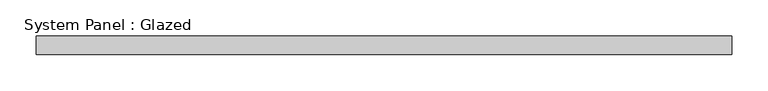
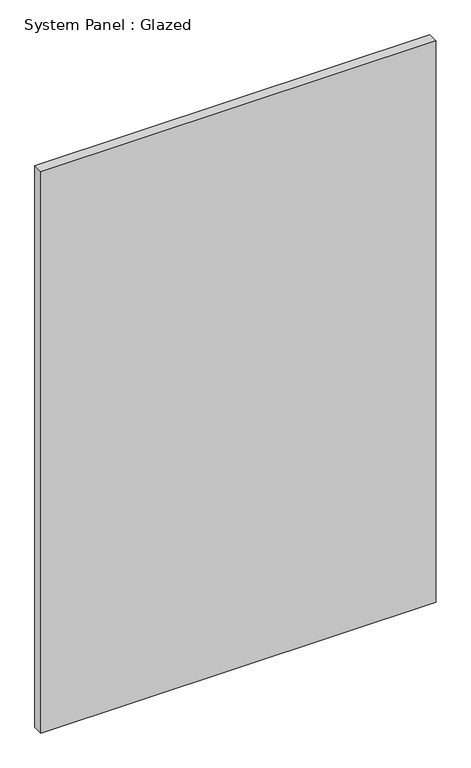
"""IFC4 building model written with IfcOpenShell, lengths in millimetres: plate geometry, System Panel : Glazed."""

from ifc_helpers import new_model, si_unit, origin, origin_with_axes, place, context, project, spatial, polyline, outline, extrude, source, transform, mapped, element, save


def system_panel_glazed_5431503b(model_context):
    return source(origin(), model_context, "Body", "SweptSolid", [
        extrude(outline(polyline([(479.425, -12.7), (-479.425, -12.7), (-479.425, 12.7), (479.425, 12.7), (479.425, -12.7)])), origin_with_axes(), (0.0, 0.0, 1.0), 1441.45),
    ])


if __name__ == "__main__":
    model = new_model("IFC4")
    model_context = context("Model", 3, world=origin())
    ifc_project = project(units=[si_unit("LENGTHUNIT", "METRE", prefix="MILLI")], contexts=[model_context])
    site = spatial("IfcSite", under=ifc_project)
    building = spatial("IfcBuilding", under=site)
    placement = place(None, origin())
    system_panel_glazed_shape = system_panel_glazed_5431503b(model_context)
    element("IfcPlate", 1, ObjectType="System Panel : Glazed", at=placement, inside=building, context=model_context, shape_type="MappedRepresentation", body=[
        mapped(system_panel_glazed_shape, transform((0.0, 0.0, 0.0), x_axis=(1.0, 0.0, 0.0), y_axis=(0.0, 1.0, 0.0), z_axis=(0.0, 0.0, 1.0))),
    ])
    save(model, "model.ifc")
